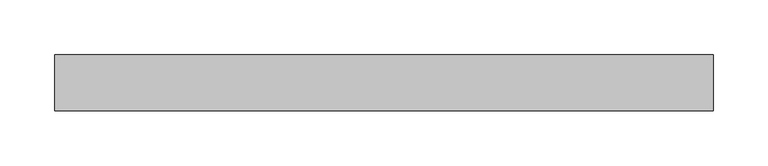
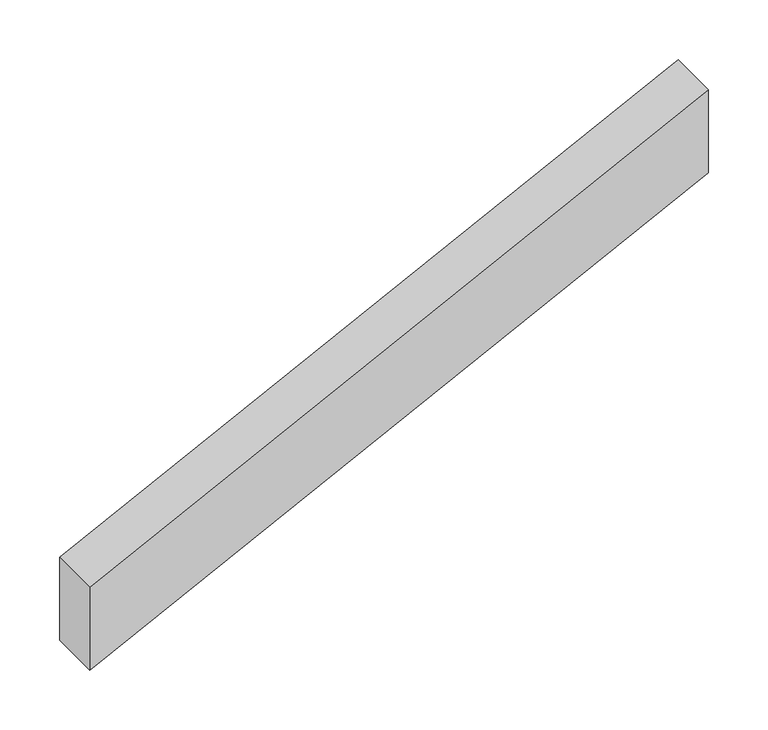
"""IFC4 building model written with IfcOpenShell, lengths in millimetres: railing geometry."""

from ifc_helpers import new_model, si_unit, frame, origin, place, context, project, spatial, polyline, outline, extrude, source, transform, mapped, element, save


def railing_15e125c1(model_context):
    return source(origin(), model_context, "Body", "SweptSolid", [
        extrude(outline(polyline([(550.0, 8950.291724), (464.8058101, 8950.291724), (764.8058101, 9550.291724), (850.0, 9550.291724), (550.0, 8950.291724)])), frame((0.0, 4629.2, 0.0), z_axis=(0.0, 1.0, 0.0), x_axis=(0.0, 0.0, 1.0)), (0.0, 0.0, 1.0), 50.8),
    ])


if __name__ == "__main__":
    model = new_model("IFC4")
    model_context = context("Model", 3, world=origin())
    ifc_project = project(units=[si_unit("LENGTHUNIT", "METRE", prefix="MILLI")], contexts=[model_context])
    site = spatial("IfcSite", under=ifc_project)
    building = spatial("IfcBuilding", under=site)
    placement = place(None, origin())
    railing_shape = railing_15e125c1(model_context)
    element("IfcRailing", 1, at=placement, inside=building, context=model_context, shape_type="MappedRepresentation", body=[
        mapped(railing_shape, transform((0.0, 0.0, 0.0), x_axis=(1.0, 0.0, 0.0), y_axis=(0.0, 1.0, 0.0), z_axis=(0.0, 0.0, 1.0))),
    ])
    save(model, "model.ifc")
